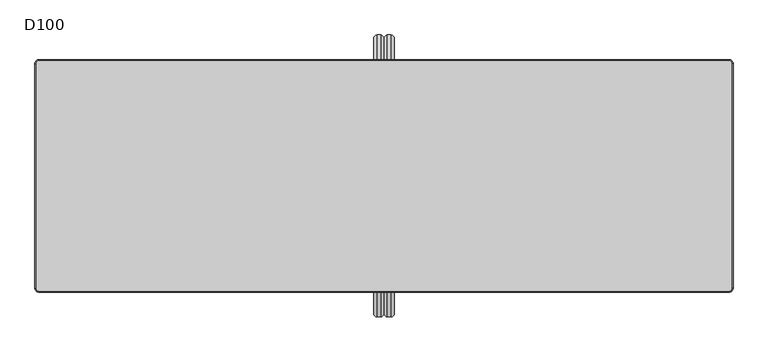
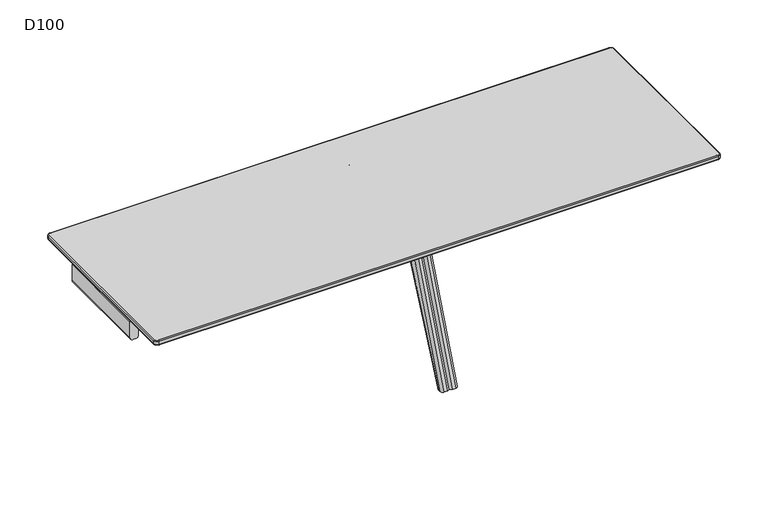
"""IFC4 building model written with IfcOpenShell, lengths in millimetres: furniture geometry, D100."""

from ifc_helpers import new_model, si_unit, point, frame, frame_2d, origin, place, context, project, spatial, polyline, circle_curve, ellipse_curve, trimmed, segment, composite_curve, outline, extrude, source, transform, mapped, element, save
from ifc_brep_helpers import plane_surface, cylinder_surface, revolved_surface, advanced_brep


def d100_66ac4ca6(model_context):
    return source(origin(), model_context, "Body", "SolidModel", [
        extrude(outline(composite_curve([segment(polyline([(611.0, 1499.0), (700.0, 1499.0), (700.0, 1454.0), (611.0, 1454.0)]), True, "CONTINUOUS"), segment(trimmed(circle_curve(frame_2d((611.0, 1469.0)), 15.0), [point((611.0, 1454.0))], [point((596.0, 1469.0))], False, "CARTESIAN"), True, "CONTINUOUS"), segment(polyline([(596.0, 1469.0), (596.0, 1484.0)]), True, "CONTINUOUS"), segment(trimmed(circle_curve(frame_2d((611.0, 1484.0)), 15.0), [point((596.0, 1484.0))], [point((611.0, 1499.0))], False, "CARTESIAN"), True, "CONTINUOUS")], self_intersect=False)), frame((0.0, -264.7236545, 0.0), z_axis=(0.0, 1.0, 0.0), x_axis=(0.0, 0.0, 1.0)), (0.0, 0.0, 1.0), 529.4473089),
        extrude(outline(composite_curve([segment(polyline([(611.0, 0.0), (700.0, 0.0), (700.0, -45.0), (611.0, -45.0)]), True, "CONTINUOUS"), segment(trimmed(circle_curve(frame_2d((611.0, -30.0)), 15.0), [point((611.0, -45.0))], [point((596.0, -30.0))], False, "CARTESIAN"), True, "CONTINUOUS"), segment(polyline([(596.0, -30.0), (596.0, -15.0)]), True, "CONTINUOUS"), segment(trimmed(circle_curve(frame_2d((611.0, -15.0)), 15.0), [point((596.0, -15.0))], [point((611.0, 0.0))], False, "CARTESIAN"), True, "CONTINUOUS")], self_intersect=False)), frame((0.0, -264.7236545, 0.0), z_axis=(0.0, 1.0, 0.0), x_axis=(0.0, 0.0, 1.0)), (0.0, 0.0, 1.0), 529.4473089),
        extrude(outline(composite_curve([segment(trimmed(circle_curve(frame_2d((611.0, 15.0)), 15.0), [point((611.0, 0.0))], [point((596.0, 15.0))], False, "CARTESIAN"), True, "CONTINUOUS"), segment(polyline([(596.0, 15.0), (596.0, 30.0)]), True, "CONTINUOUS"), segment(trimmed(circle_curve(frame_2d((611.0, 30.0)), 15.0), [point((596.0, 30.0))], [point((611.0, 45.0))], False, "CARTESIAN"), True, "CONTINUOUS"), segment(polyline([(611.0, 45.0), (700.0, 45.0), (700.0, 0.0), (611.0, 0.0)]), True, "CONTINUOUS")], self_intersect=False)), frame((0.0, -264.7236545, 0.0), z_axis=(0.0, 1.0, 0.0), x_axis=(0.0, 0.0, 1.0)), (0.0, 0.0, 1.0), 529.4473089),
        extrude(outline(composite_curve([segment(trimmed(circle_curve(frame_2d((611.0, -1484.0)), 15.0), [point((611.0, -1499.0))], [point((596.0, -1484.0))], False, "CARTESIAN"), True, "CONTINUOUS"), segment(polyline([(596.0, -1484.0), (596.0, -1469.0)]), True, "CONTINUOUS"), segment(trimmed(circle_curve(frame_2d((611.0, -1469.0)), 15.0), [point((596.0, -1469.0))], [point((611.0, -1454.0))], False, "CARTESIAN"), True, "CONTINUOUS"), segment(polyline([(611.0, -1454.0), (700.0, -1454.0), (700.0, -1499.0), (611.0, -1499.0)]), True, "CONTINUOUS")], self_intersect=False)), frame((0.0, -264.7236545, 0.0), z_axis=(0.0, 1.0, 0.0), x_axis=(0.0, 0.0, 1.0)), (0.0, 0.0, 1.0), 529.4473089),
        advanced_brep(
        [(-1482.0, 495.0, 732.0), (-1495.0, 482.0, 732.0), (-1495.0, -482.0, 732.0), (-1482.0, -495.0, 732.0), (1482.0, -495.0, 732.0), (1495.0, -482.0, 732.0), (1495.0, 482.0, 732.0), (1482.0, 495.0, 732.0), (-1495.0, 482.0, 706.0), (-1482.0, 495.0, 706.0), (1482.0, 495.0, 706.0), (1495.0, 482.0, 706.0), (1495.0, -482.0, 706.0), (1482.0, -495.0, 706.0), (-1482.0, -495.0, 706.0), (-1495.0, -482.0, 706.0), (-1500.0, 482.0, 727.0000047), (-1500.0, 482.0, 711.0), (-1500.0, -482.0, 711.0), (-1500.0, -482.0, 727.0), (-1482.0, -500.0, 711.0), (-1482.0, -500.0, 727.0000032), (1482.0, -500.0, 711.0), (1482.0, -500.0, 727.0), (1500.0, -482.0, 711.0), (1500.0, -482.0, 727.0000023), (1500.0, 482.0, 711.0), (1500.0, 482.0, 727.0), (-1482.0, 500.0, 711.0), (-1482.0, 500.0, 727.0), (1482.0, 500.0, 711.0), (1482.0, 500.0, 727.0)],
        [
            (0, 1, circle_curve(frame((-1482.0, 482.0, 732.0), z_axis=(0.0, 0.0, 1.0), x_axis=(0.0, 1.0, 0.0)), 13.0)),
            (1, 2),
            (2, 3, circle_curve(frame((-1482.0, -482.0, 732.0), z_axis=(0.0, 0.0, 1.0), x_axis=(-1.0, 0.0, 0.0)), 13.0)),
            (3, 4),
            (4, 5, circle_curve(frame((1482.0, -482.0, 732.0), z_axis=(0.0, 0.0, 1.0), x_axis=(0.0, -1.0, 0.0)), 13.0)),
            (5, 6),
            (6, 7, circle_curve(frame((1482.0, 482.0, 732.0), z_axis=(0.0, 0.0, 1.0), x_axis=(1.0, 0.0, 0.0)), 13.0)),
            (7, 0),
            (8, 9, circle_curve(frame((-1482.0, 482.0, 706.0), z_axis=(0.0, 0.0, -1.0), x_axis=(0.0, 1.0, 0.0)), 13.0)),
            (9, 10),
            (10, 11, circle_curve(frame((1482.0, 482.0, 706.0), z_axis=(0.0, 0.0, -1.0), x_axis=(1.0, 0.0, 0.0)), 13.0)),
            (11, 12),
            (12, 13, circle_curve(frame((1482.0, -482.0, 706.0), z_axis=(0.0, 0.0, -1.0), x_axis=(0.0, -1.0, 0.0)), 13.0)),
            (13, 14),
            (14, 15, circle_curve(frame((-1482.0, -482.0, 706.0), z_axis=(0.0, 0.0, -1.0), x_axis=(-1.0, 0.0, 0.0)), 13.0)),
            (15, 8),
            (16, 17),
            (17, 18),
            (18, 19),
            (19, 16),
            (18, 20, circle_curve(frame((-1482.0, -482.0, 711.0), z_axis=(0.0, 0.0, 1.0), x_axis=(1.0, 0.0, 0.0)), 18.0)),
            (20, 21),
            (21, 19, circle_curve(frame((-1482.0, -482.0, 727.0), z_axis=(0.0, 0.0, -1.0), x_axis=(1.0, 0.0, 0.0)), 18.0)),
            (20, 22),
            (22, 23),
            (23, 21),
            (22, 24, circle_curve(frame((1482.0, -482.0, 711.0), z_axis=(0.0, 0.0, 1.0), x_axis=(1.0, 0.0, 0.0)), 18.0)),
            (24, 25),
            (25, 23, circle_curve(frame((1482.0, -482.0, 727.0), z_axis=(0.0, 0.0, -1.0), x_axis=(1.0, 0.0, 0.0)), 18.0)),
            (24, 26),
            (26, 27),
            (27, 25),
            (8, 17, circle_curve(frame((-1495.0, 482.0, 711.0), z_axis=(0.0, 1.0, 0.0), x_axis=(1.0, 0.0, 0.0)), 5.0)),
            (17, 28, circle_curve(frame((-1482.0, 482.0, 711.0), z_axis=(0.0, 0.0, -1.0), x_axis=(0.0, 1.0, 0.0)), 18.0)),
            (28, 9, circle_curve(frame((-1482.0, 495.0, 711.0), z_axis=(-1.0, 0.0, 0.0), x_axis=(0.0, -1.0, 0.0)), 5.0)),
            (16, 1, circle_curve(frame((-1495.0, 482.0, 727.0), z_axis=(0.0, 1.0, 0.0), x_axis=(1.0, 0.0, 0.0)), 5.0)),
            (0, 29, circle_curve(frame((-1482.0, 495.0, 727.0), z_axis=(-1.0, 0.0, 0.0), x_axis=(0.0, -1.0, 0.0)), 5.0)),
            (29, 16, circle_curve(frame((-1482.0, 482.0, 727.0), z_axis=(0.0, 0.0, 1.0), x_axis=(0.0, 1.0, 0.0)), 18.0)),
            (15, 18, circle_curve(frame((-1495.0, -482.0, 711.0), z_axis=(0.0, 1.0, 0.0), x_axis=(1.0, 0.0, 0.0)), 5.0)),
            (19, 2, circle_curve(frame((-1495.0, -482.0, 727.0), z_axis=(0.0, 1.0, 0.0), x_axis=(1.0, 0.0, 0.0)), 5.0)),
            (14, 20, circle_curve(frame((-1482.0, -495.0, 711.0), z_axis=(-1.0, 0.0, 0.0), x_axis=(0.0, 1.0, 0.0)), 5.0)),
            (21, 3, circle_curve(frame((-1482.0, -495.0, 727.0), z_axis=(-1.0, 0.0, 0.0), x_axis=(0.0, 1.0, 0.0)), 5.0)),
            (13, 22, circle_curve(frame((1482.0, -495.0, 711.0), z_axis=(-1.0, 0.0, 0.0), x_axis=(0.0, 1.0, 0.0)), 5.0)),
            (23, 4, circle_curve(frame((1482.0, -495.0, 727.0), z_axis=(-1.0, 0.0, 0.0), x_axis=(0.0, 1.0, 0.0)), 5.0)),
            (12, 24, circle_curve(frame((1495.0, -482.0, 711.0), z_axis=(0.0, -1.0, 0.0), x_axis=(-1.0, 0.0, 0.0)), 5.0)),
            (25, 5, circle_curve(frame((1495.0, -482.0, 727.0), z_axis=(0.0, -1.0, 0.0), x_axis=(-1.0, 0.0, 0.0)), 5.0)),
            (11, 26, circle_curve(frame((1495.0, 482.0, 711.0), z_axis=(0.0, -1.0, 0.0), x_axis=(-1.0, 0.0, 0.0)), 5.0)),
            (27, 6, circle_curve(frame((1495.0, 482.0, 727.0), z_axis=(0.0, -1.0, 0.0), x_axis=(-1.0, 0.0, 0.0)), 5.0)),
            (10, 30, circle_curve(frame((1482.0, 495.0, 711.0), z_axis=(1.0, 0.0, 0.0), x_axis=(0.0, -1.0, 0.0)), 5.0)),
            (30, 26, circle_curve(frame((1482.0, 482.0, 711.0), z_axis=(0.0, 0.0, -1.0), x_axis=(1.0, 0.0, 0.0)), 18.0)),
            (27, 31, circle_curve(frame((1482.0, 482.0, 727.0), z_axis=(0.0, 0.0, 1.0), x_axis=(1.0, 0.0, 0.0)), 18.0)),
            (31, 7, circle_curve(frame((1482.0, 495.0, 727.0), z_axis=(1.0, 0.0, 0.0), x_axis=(0.0, -1.0, 0.0)), 5.0)),
            (28, 30),
            (31, 29),
            (30, 31),
            (28, 29),
        ],
        [
            plane_surface(frame((-1500.0, -482.0, 732.0), z_axis=(0.0, 0.0, 1.0), x_axis=(0.0, -1.0, 0.0))),
            plane_surface(frame((-1500.0, -482.0, 706.0), z_axis=(0.0, 0.0, -1.0), x_axis=(0.0, 1.0, 0.0))),
            plane_surface(frame((-1500.0, 482.0, 732.0), z_axis=(-1.0, 0.0, 0.0), x_axis=(0.0, 0.0, -1.0))),
            cylinder_surface(frame((-1482.0, -482.0, 706.0), z_axis=(0.0, 0.0, 1.0), x_axis=(1.0, 0.0, 0.0)), 18.0),
            plane_surface(frame((-1482.0, -500.0, 732.0), z_axis=(0.0, -1.0, 0.0), x_axis=(0.0, 0.0, -1.0))),
            cylinder_surface(frame((1482.0, -482.0, 706.0), z_axis=(0.0, 0.0, 1.0), x_axis=(1.0, 0.0, 0.0)), 18.0),
            plane_surface(frame((1500.0, -482.0, 732.0), z_axis=(1.0, 0.0, 0.0), x_axis=(0.0, 0.0, -1.0))),
            revolved_surface(trimmed(ellipse_curve(frame((-1482.0, 495.0, 711.0), z_axis=(1.0, 0.0, 0.0), x_axis=(0.0, -1.0, 0.0)), 5.0, 5.0), [point((-1482.0, 495.0, 706.0))], [point((-1482.0, 500.0, 711.0))], True, "CARTESIAN"), (-1482.0, 482.0, -180.0), (0.0, 0.0, 1.0)),
            revolved_surface(trimmed(ellipse_curve(frame((-1482.0, 495.0, 727.0), z_axis=(1.0, 0.0, 0.0), x_axis=(0.0, -1.0, 0.0)), 5.0, 5.0), [point((-1482.0, 500.0, 727.0))], [point((-1482.0, 495.0, 732.0))], True, "CARTESIAN"), (-1482.0, 482.0, -180.0), (0.0, 0.0, 1.0)),
            cylinder_surface(frame((-1495.0, 482.0, 711.0), z_axis=(0.0, -1.0, 0.0), x_axis=(1.0, 0.0, 0.0)), 5.0),
            cylinder_surface(frame((-1495.0, 482.0, 727.0), z_axis=(0.0, -1.0, 0.0), x_axis=(1.0, 0.0, 0.0)), 5.0),
            revolved_surface(trimmed(ellipse_curve(frame((-1495.0, -482.0, 711.0), z_axis=(0.0, 1.0, 0.0), x_axis=(1.0, 0.0, 0.0)), 5.0, 5.0), [point((-1495.0, -482.0, 706.0))], [point((-1500.0, -482.0, 711.0))], True, "CARTESIAN"), (-1482.0, -482.0, -180.0), (0.0, 0.0, 1.0)),
            revolved_surface(trimmed(ellipse_curve(frame((-1495.0, -482.0, 727.0), z_axis=(0.0, 1.0, 0.0), x_axis=(1.0, 0.0, 0.0)), 5.0, 5.0), [point((-1500.0, -482.0, 727.0))], [point((-1495.0, -482.0, 732.0))], True, "CARTESIAN"), (-1482.0, -482.0, -180.0), (0.0, 0.0, 1.0)),
            cylinder_surface(frame((-1482.0, -495.0, 711.0), z_axis=(1.0, 0.0, 0.0), x_axis=(0.0, 1.0, 0.0)), 5.0),
            cylinder_surface(frame((-1482.0, -495.0, 727.0), z_axis=(1.0, 0.0, 0.0), x_axis=(0.0, 1.0, 0.0)), 5.0),
            revolved_surface(trimmed(ellipse_curve(frame((1482.0, -495.0, 711.0), z_axis=(-1.0, 0.0, 0.0), x_axis=(0.0, 1.0, 0.0)), 5.0, 5.0), [point((1482.0, -495.0, 706.0))], [point((1482.0, -500.0, 711.0))], True, "CARTESIAN"), (1482.0, -482.0, -180.0), (0.0, 0.0, 1.0)),
            revolved_surface(trimmed(ellipse_curve(frame((1482.0, -495.0, 727.0), z_axis=(-1.0, 0.0, 0.0), x_axis=(0.0, 1.0, 0.0)), 5.0, 5.0), [point((1482.0, -500.0, 727.0))], [point((1482.0, -495.0, 732.0))], True, "CARTESIAN"), (1482.0, -482.0, -180.0), (0.0, 0.0, 1.0)),
            cylinder_surface(frame((1495.0, -482.0, 711.0), z_axis=(0.0, 1.0, 0.0), x_axis=(-1.0, 0.0, 0.0)), 5.0),
            cylinder_surface(frame((1495.0, -482.0, 727.0), z_axis=(0.0, 1.0, 0.0), x_axis=(-1.0, 0.0, 0.0)), 5.0),
            revolved_surface(trimmed(ellipse_curve(frame((1495.0, 482.0, 711.0), z_axis=(0.0, -1.0, 0.0), x_axis=(-1.0, 0.0, 0.0)), 5.0, 5.0), [point((1495.0, 482.0, 706.0))], [point((1500.0, 482.0, 711.0))], True, "CARTESIAN"), (1482.0, 482.0, -180.0), (0.0, 0.0, 1.0)),
            revolved_surface(trimmed(ellipse_curve(frame((1495.0, 482.0, 727.0), z_axis=(0.0, -1.0, 0.0), x_axis=(-1.0, 0.0, 0.0)), 5.0, 5.0), [point((1500.0, 482.0, 727.0))], [point((1495.0, 482.0, 732.0))], True, "CARTESIAN"), (1482.0, 482.0, -180.0), (0.0, 0.0, 1.0)),
            cylinder_surface(frame((1482.0, 495.0, 711.0), z_axis=(-1.0, 0.0, 0.0), x_axis=(0.0, -1.0, 0.0)), 5.0),
            cylinder_surface(frame((1482.0, 495.0, 727.0), z_axis=(-1.0, 0.0, 0.0), x_axis=(0.0, -1.0, 0.0)), 5.0),
            cylinder_surface(frame((1482.0, 482.0, 706.0), z_axis=(0.0, 0.0, 1.0), x_axis=(1.0, 0.0, 0.0)), 18.0),
            plane_surface(frame((1482.0, 500.0, 732.0), z_axis=(0.0, 1.0, 0.0), x_axis=(0.0, 0.0, -1.0))),
            cylinder_surface(frame((-1482.0, 482.0, 706.0), z_axis=(0.0, 0.0, 1.0), x_axis=(1.0, 0.0, 0.0)), 18.0),
        ],
        [
            (0, [[1, 2, 3, 4, 5, 6, 7, 8]]),
            (1, [[9, 10, 11, 12, 13, 14, 15, 16]]),
            (2, [[17, 18, 19, 20]]),
            (3, [[-19, 21, 22, 23]]),
            (4, [[-22, 24, 25, 26]]),
            (5, [[-25, 27, 28, 29]]),
            (6, [[-28, 30, 31, 32]]),
            (7, [[33, 34, 35, -9]]),
            (8, [[36, -1, 37, 38]]),
            (9, [[-33, -16, 39, -18]]),
            (10, [[-36, -20, 40, -2]]),
            (11, [[-39, -15, 41, -21]]),
            (12, [[-40, -23, 42, -3]]),
            (13, [[-41, -14, 43, -24]]),
            (14, [[-42, -26, 44, -4]]),
            (15, [[-43, -13, 45, -27]]),
            (16, [[-44, -29, 46, -5]]),
            (17, [[-45, -12, 47, -30]]),
            (18, [[-46, -32, 48, -6]]),
            (19, [[-47, -11, 49, 50]]),
            (20, [[-48, 51, 52, -7]]),
            (21, [[-35, 53, -49, -10]]),
            (22, [[-37, -8, -52, 54]]),
            (23, [[-31, -50, 55, -51]]),
            (24, [[-55, -53, 56, -54]]),
            (25, [[-17, -38, -56, -34]]),
        ],
    ),
        advanced_brep(
        [(0.0, 272.7758244, 611.0), (15.0, 272.7758244, 596.0), (15.0, 270.7236545, 596.0), (0.0, 270.7236545, 611.0), (30.0, 272.7758244, 596.0), (45.0, 272.7758244, 611.0), (45.0, 270.7236545, 611.0), (30.0, 270.7236545, 596.0), (15.0, 305.6533176, 574.6985653), (0.0, 319.3435487, 580.82862), (0.0, 579.4203292, 0.0), (15.0, 562.9852524, 0.0), (45.0, 319.3435487, 580.82862), (30.0, 305.6533176, 574.6985653), (30.0, 562.9852524, 0.0), (45.0, 579.4203292, 0.0), (45.0, 270.7236545, 700.0), (45.0, 589.8218305, 0.0), (45.0, 316.6217076, 700.0), (0.0, 270.7236545, 700.0), (0.0, 316.6217076, 700.0), (0.0, 589.8218305, 0.0), (30.0, 332.7236545, 700.0), (15.0, 332.7236545, 700.0), (30.0, 605.9237773, 0.0), (15.0, 605.9237773, 0.0)],
        [
            (0, 1, circle_curve(frame((15.0, 272.7758244, 611.0), z_axis=(0.0, -1.0, 0.0), x_axis=(0.0, 0.0, 1.0)), 15.0)),
            (1, 2),
            (2, 3, circle_curve(frame((15.0, 270.7236545, 611.0), z_axis=(0.0, 1.0, 0.0), x_axis=(0.0, 0.0, 1.0)), 15.0)),
            (3, 0),
            (4, 5, circle_curve(frame((30.0, 272.7758244, 611.0), z_axis=(0.0, -1.0, 0.0), x_axis=(0.0, 0.0, 1.0)), 15.0)),
            (5, 6),
            (6, 7, circle_curve(frame((30.0, 270.7236545, 611.0), z_axis=(0.0, 1.0, 0.0), x_axis=(0.0, 0.0, 1.0)), 15.0)),
            (7, 4),
            (8, 9, circle_curve(frame((15.0, 319.3435487, 580.82862), z_axis=(0.0, 0.4086703164969099, -0.9126820763082375), x_axis=(0.0, 0.9126820763082375, 0.4086703164969099)), 15.0)),
            (9, 10),
            (10, 11, ellipse_curve(frame((15.0, 579.4203292, 0.0), z_axis=(0.0, 0.0, 1.0), x_axis=(0.0, 1.0, 0.0)), 16.4350768, 15.0)),
            (11, 8),
            (12, 13, circle_curve(frame((30.0, 319.3435487, 580.82862), z_axis=(0.0, 0.4086703164969099, -0.9126820763082375), x_axis=(0.0, 0.9126820763082375, 0.4086703164969099)), 15.0)),
            (13, 14),
            (14, 15, ellipse_curve(frame((30.0, 579.4203292, 0.0), z_axis=(0.0, 0.0, 1.0), x_axis=(0.0, 1.0, 0.0)), 16.4350768, 15.0)),
            (15, 12),
            (0, 9, circle_curve(frame((0.0, 272.7758244, 559.9770583), z_axis=(-1.0, 0.0, 0.0), x_axis=(0.0, 0.0, 1.0)), 51.0229417)),
            (8, 1, circle_curve(frame((15.0, 272.7758244, 559.9770583), z_axis=(1.0, 0.0, 0.0), x_axis=(0.0, 0.0, 1.0)), 36.0229417)),
            (4, 13, circle_curve(frame((30.0, 272.7758244, 559.9770583), z_axis=(-1.0, 0.0, 0.0), x_axis=(0.0, 0.0, 1.0)), 36.0229417)),
            (12, 5, circle_curve(frame((45.0, 272.7758244, 559.9770583), z_axis=(1.0, 0.0, 0.0), x_axis=(0.0, 0.0, 1.0)), 51.0229417)),
            (16, 6),
            (15, 17),
            (17, 18),
            (18, 16),
            (3, 19),
            (19, 20),
            (20, 21),
            (21, 10),
            (19, 16),
            (18, 22, ellipse_curve(frame((30.0, 316.6217076, 700.0), z_axis=(0.0, 0.0, 1.0), x_axis=(0.0, -1.0, 0.0)), 16.1019468, 15.0)),
            (22, 23),
            (23, 20, ellipse_curve(frame((15.0, 316.6217076, 700.0), z_axis=(0.0, 0.0, 1.0), x_axis=(0.0, -1.0, 0.0)), 16.1019468, 15.0)),
            (22, 24),
            (24, 25),
            (25, 23),
            (14, 11),
            (21, 25, ellipse_curve(frame((15.0, 589.8218305, 0.0), z_axis=(0.0, 0.0, -1.0), x_axis=(0.0, -0.9999999999999999, 0.0)), 16.1019468, 15.0)),
            (24, 17, ellipse_curve(frame((30.0, 589.8218305, 0.0), z_axis=(0.0, 0.0, -1.0), x_axis=(0.0, -0.9999999999999999, 0.0)), 16.1019468, 15.0)),
            (13, 8),
            (4, 1),
            (7, 2),
        ],
        [
            cylinder_surface(frame((15.0, -272.7758244, 611.0), z_axis=(0.0, 1.0, 0.0), x_axis=(0.0, 0.0, 1.0)), 15.0),
            cylinder_surface(frame((30.0, -272.7758244, 611.0), z_axis=(0.0, 1.0, 0.0), x_axis=(0.0, 0.0, 1.0)), 15.0),
            cylinder_surface(frame((15.0, 319.3435487, 580.82862), z_axis=(0.0, 0.4086703164969099, -0.9126820763082375), x_axis=(0.0, 0.9126820763082375, 0.4086703164969099)), 15.0),
            cylinder_surface(frame((30.0, 319.3435487, 580.82862), z_axis=(0.0, 0.4086703164969099, -0.9126820763082375), x_axis=(0.0, 0.9126820763082375, 0.4086703164969099)), 15.0),
            revolved_surface(trimmed(ellipse_curve(frame((15.0, 272.7758244, 611.0), z_axis=(0.0, -1.0, 0.0), x_axis=(0.0, 0.0, 1.0)), 15.0, 15.0), [point((0.0, 272.7758244, 611.0))], [point((15.0, 272.7758244, 596.0))], True, "CARTESIAN"), (782.0, 272.7758244, 559.9770583), (-1.0, 0.0, 0.0)),
            revolved_surface(trimmed(ellipse_curve(frame((30.0, 272.7758244, 611.0), z_axis=(0.0, -1.0, 0.0), x_axis=(0.0, 0.0, 1.0)), 15.0, 15.0), [point((30.0, 272.7758244, 596.0))], [point((45.0, 272.7758244, 611.0))], True, "CARTESIAN"), (782.0, 272.7758244, 559.9770583), (-1.0, 0.0, 0.0)),
            plane_surface(frame((45.0, 270.7236545, 596.0), z_axis=(1.0, 0.0, 0.0), x_axis=(0.0, 0.0, -1.0))),
            plane_surface(frame((0.0, 270.7236545, 596.0), z_axis=(-1.0, 0.0, 0.0), x_axis=(0.0, 0.0, 1.0))),
            plane_surface(frame((45.0, 332.7236545, 700.0), z_axis=(0.0, 0.0, 1.0), x_axis=(-1.0, 0.0, 0.0))),
            plane_surface(frame((45.0, 605.9237773, 0.0), z_axis=(0.0, 0.9315643722265751, 0.3635764299265108), x_axis=(-1.0, 0.0, 0.0))),
            plane_surface(frame((45.0, 562.9852524, 0.0), z_axis=(0.0, 0.0, -1.0), x_axis=(-1.0, 0.0, 0.0))),
            plane_surface(frame((45.0, 305.6533176, 574.6985653), z_axis=(0.0, -0.9126820763082374, -0.40867031649691016), x_axis=(-1.0, 0.0, 0.0))),
            revolved_surface(polyline([(15.0, 236.7528827, 559.9770583), (30.0, 236.7528827, 559.9770583)]), (0.0, 272.7758244, 559.9770583), (-1.0, 0.0, 0.0)),
            plane_surface(frame((45.0, 270.7236545, 596.0), z_axis=(0.0, 0.0, -1.0), x_axis=(-1.0, 0.0, 0.0))),
            plane_surface(frame((45.0, 270.7236545, 700.0), z_axis=(0.0, -1.0, 0.0), x_axis=(-1.0, 0.0, 0.0))),
            cylinder_surface(frame((15.0, 599.6644228, -25.2189296), z_axis=(0.0, -0.3635764299265101, 0.9315643722265754), x_axis=(0.0, -0.9315643722265754, -0.3635764299265101)), 15.0),
            cylinder_surface(frame((30.0, 599.6644228, -25.2189296), z_axis=(0.0, -0.3635764299265101, 0.9315643722265754), x_axis=(0.0, -0.9315643722265754, -0.3635764299265101)), 15.0),
        ],
        [
            (0, [[1, 2, 3, 4]]),
            (1, [[5, 6, 7, 8]]),
            (2, [[9, 10, 11, 12]]),
            (3, [[13, 14, 15, 16]]),
            (4, [[-1, 17, -9, 18]]),
            (5, [[-5, 19, -13, 20]]),
            (6, [[21, -6, -20, -16, 22, 23, 24]]),
            (7, [[25, 26, 27, 28, -10, -17, -4]]),
            (8, [[29, -24, 30, 31, 32, -26]]),
            (9, [[-31, 33, 34, 35]]),
            (10, [[36, -11, -28, 37, -34, 38, -22, -15]]),
            (11, [[-36, -14, 39, -12]]),
            (12, [[-39, -19, 40, -18]]),
            (13, [[-40, -8, 41, -2]]),
            (14, [[-29, -25, -3, -41, -7, -21]]),
            (15, [[-27, -32, -35, -37]]),
            (16, [[-23, -38, -33, -30]]),
        ],
    ),
        advanced_brep(
        [(45.0, -270.7236545, 700.0), (45.0, -316.6217076, 700.0), (45.0, -589.8218305, 0.0), (45.0, -579.4203292, 0.0), (45.0, -319.3435487, 580.82862), (45.0, -272.7758244, 611.0), (45.0, -270.7236545, 611.0), (0.0, -316.6217076, 700.0), (0.0, -270.7236545, 700.0), (0.0, -270.7236545, 611.0), (0.0, -272.7758244, 611.0), (0.0, -319.3435487, 580.82862), (0.0, -579.4203292, 0.0), (0.0, -589.8218305, 0.0), (15.0, -332.7236545, 700.0), (30.0, -332.7236545, 700.0), (15.0, -605.9237773, 0.0), (30.0, -605.9237773, 0.0), (15.0, -562.9852524, 0.0), (30.0, -562.9852524, 0.0), (15.0, -305.6533176, 574.6985653), (30.0, -305.6533176, 574.6985653), (15.0, -272.7758244, 596.0), (30.0, -272.7758244, 596.0), (15.0, -270.7236545, 596.0), (30.0, -270.7236545, 596.0)],
        [
            (0, 1),
            (1, 2),
            (2, 3),
            (3, 4),
            (4, 5, circle_curve(frame((45.0, -272.7758244, 559.9770583), z_axis=(-1.0, 0.0, 0.0), x_axis=(0.0, -0.9126820763082378, 0.4086703164969091)), 51.0229417)),
            (5, 6),
            (6, 0),
            (7, 8),
            (8, 9),
            (9, 10),
            (10, 11, circle_curve(frame((0.0, -272.7758244, 559.9770583), z_axis=(1.0, 0.0, 0.0), x_axis=(0.0, -0.9126820763082378, 0.4086703164969091)), 51.0229417)),
            (11, 12),
            (12, 13),
            (13, 7),
            (0, 8),
            (7, 14, ellipse_curve(frame((15.0, -316.6217076, 700.0), z_axis=(0.0, 0.0, 1.0), x_axis=(0.0, 1.0, 0.0)), 16.1019468, 15.0)),
            (14, 15),
            (15, 1, ellipse_curve(frame((30.0, -316.6217076, 700.0), z_axis=(0.0, 0.0, 1.0), x_axis=(0.0, 1.0, 0.0)), 16.1019468, 15.0)),
            (14, 16),
            (16, 17),
            (17, 15),
            (16, 13, ellipse_curve(frame((15.0, -589.8218305, 0.0), z_axis=(0.0, 0.0, -1.0), x_axis=(0.0, 0.9999999999999999, 0.0)), 16.1019468, 15.0)),
            (12, 18, ellipse_curve(frame((15.0, -579.4203292, 0.0), z_axis=(0.0, 0.0, -1.0), x_axis=(0.0, 1.0, 0.0)), 16.4350768, 15.0)),
            (18, 19),
            (19, 3, ellipse_curve(frame((30.0, -579.4203292, 0.0), z_axis=(0.0, 0.0, -1.0), x_axis=(0.0, 1.0, 0.0)), 16.4350768, 15.0)),
            (2, 17, ellipse_curve(frame((30.0, -589.8218305, 0.0), z_axis=(0.0, 0.0, -1.0), x_axis=(0.0, 0.9999999999999999, 0.0)), 16.1019468, 15.0)),
            (18, 20),
            (20, 21),
            (21, 19),
            (20, 22, circle_curve(frame((15.0, -272.7758244, 559.9770583), z_axis=(-1.0, 0.0, 0.0), x_axis=(0.0, 1.0, 0.0)), 36.0229417)),
            (22, 23),
            (23, 21, circle_curve(frame((30.0, -272.7758244, 559.9770583), z_axis=(1.0, 0.0, 0.0), x_axis=(0.0, 1.0, 0.0)), 36.0229417)),
            (22, 24),
            (24, 25),
            (25, 23),
            (6, 25, circle_curve(frame((30.0, -270.7236545, 611.0), z_axis=(0.0, 1.0, 0.0), x_axis=(0.0, 0.0, 1.0)), 15.0)),
            (24, 9, circle_curve(frame((15.0, -270.7236545, 611.0), z_axis=(0.0, 1.0, 0.0), x_axis=(0.0, 0.0, 1.0)), 15.0)),
            (11, 20, circle_curve(frame((15.0, -319.3435487, 580.82862), z_axis=(0.0, -0.40867031649690977, -0.9126820763082376), x_axis=(0.0, -0.9126820763082376, 0.40867031649690977)), 15.0)),
            (21, 4, circle_curve(frame((30.0, -319.3435487, 580.82862), z_axis=(0.0, -0.40867031649690977, -0.9126820763082376), x_axis=(0.0, -0.9126820763082376, 0.40867031649690977)), 15.0)),
            (22, 10, circle_curve(frame((15.0, -272.7758244, 611.0), z_axis=(0.0, 1.0, 0.0), x_axis=(0.0, 0.0, 1.0)), 15.0)),
            (5, 23, circle_curve(frame((30.0, -272.7758244, 611.0), z_axis=(0.0, 1.0, 0.0), x_axis=(0.0, 0.0, 1.0)), 15.0)),
        ],
        [
            plane_surface(frame((45.0, -291.5455549, 700.0), z_axis=(1.0, 0.0, 0.0), x_axis=(0.0, -1.0, 0.0))),
            plane_surface(frame((0.0, -291.5455549, 700.0), z_axis=(-1.0, 0.0, 0.0), x_axis=(0.0, 1.0, 0.0))),
            plane_surface(frame((45.0, -270.7236545, 700.0), z_axis=(0.0, 0.0, 1.0), x_axis=(-1.0, 0.0, 0.0))),
            plane_surface(frame((45.0, -332.7236545, 700.0), z_axis=(0.0, -0.9315643722265751, 0.3635764299265108), x_axis=(-1.0, 0.0, 0.0))),
            plane_surface(frame((45.0, -605.9237773, 0.0), z_axis=(0.0, 0.0, -1.0), x_axis=(-1.0, 0.0, 0.0))),
            plane_surface(frame((45.0, -562.9852524, 0.0), z_axis=(0.0, 0.9126820763082374, -0.40867031649691016), x_axis=(-1.0, 0.0, 0.0))),
            revolved_surface(polyline([(15.0, -236.7528827, 559.9770583), (30.0, -236.7528827, 559.9770583)]), (0.0, -272.7758244, 559.9770583), (-1.0, 0.0, 0.0)),
            plane_surface(frame((45.0, -272.7758244, 596.0), z_axis=(0.0, 0.0, -1.0), x_axis=(-1.0, 0.0, 0.0))),
            plane_surface(frame((45.0, -270.7236545, 596.0), z_axis=(0.0, 1.0, 0.0), x_axis=(-1.0, 0.0, 0.0))),
            cylinder_surface(frame((15.0, -599.6644228, -25.2189296), z_axis=(0.0, 0.3635764299265101, 0.9315643722265754), x_axis=(0.0, -0.9315643722265754, 0.3635764299265101)), 15.0),
            cylinder_surface(frame((30.0, -599.6644228, -25.2189296), z_axis=(0.0, 0.3635764299265101, 0.9315643722265754), x_axis=(0.0, -0.9315643722265754, 0.3635764299265101)), 15.0),
            cylinder_surface(frame((15.0, -584.7803586, -11.9705362), z_axis=(0.0, 0.40867031649690977, 0.9126820763082376), x_axis=(0.0, -0.9126820763082376, 0.40867031649690977)), 15.0),
            cylinder_surface(frame((30.0, -584.7803586, -11.9705362), z_axis=(0.0, 0.40867031649690977, 0.9126820763082376), x_axis=(0.0, -0.9126820763082376, 0.40867031649690977)), 15.0),
            cylinder_surface(frame((15.0, -272.7758244, 611.0), z_axis=(0.0, 1.0, 0.0), x_axis=(0.0, 0.0, 1.0)), 15.0),
            cylinder_surface(frame((30.0, -272.7758244, 611.0), z_axis=(0.0, 1.0, 0.0), x_axis=(0.0, 0.0, 1.0)), 15.0),
            revolved_surface(trimmed(ellipse_curve(frame((15.0, -319.3435487, 580.82862), z_axis=(0.0, -0.4086703164969089, -0.9126820763082379), x_axis=(0.0, -0.9126820763082379, 0.4086703164969089)), 15.0, 15.0), [point((0.0, -319.3435487, 580.82862))], [point((15.0, -305.6533176, 574.6985653))], True, "CARTESIAN"), (782.0, -272.7758244, 559.9770583), (-1.0, 0.0, 0.0)),
            revolved_surface(trimmed(ellipse_curve(frame((30.0, -319.3435487, 580.82862), z_axis=(0.0, -0.4086703164969089, -0.9126820763082379), x_axis=(0.0, -0.9126820763082379, 0.4086703164969089)), 15.0, 15.0), [point((30.0, -305.6533176, 574.6985653))], [point((45.0, -319.3435487, 580.82862))], True, "CARTESIAN"), (782.0, -272.7758244, 559.9770583), (-1.0, 0.0, 0.0)),
        ],
        [
            (0, [[1, 2, 3, 4, 5, 6, 7]]),
            (1, [[8, 9, 10, 11, 12, 13, 14]]),
            (2, [[15, -8, 16, 17, 18, -1]]),
            (3, [[-17, 19, 20, 21]]),
            (4, [[-20, 22, -13, 23, 24, 25, -3, 26]]),
            (5, [[-24, 27, 28, 29]]),
            (6, [[-28, 30, 31, 32]]),
            (7, [[-31, 33, 34, 35]]),
            (8, [[-15, -7, 36, -34, 37, -9]]),
            (9, [[-14, -22, -19, -16]]),
            (10, [[-2, -18, -21, -26]]),
            (11, [[38, -27, -23, -12]]),
            (12, [[39, -4, -25, -29]]),
            (13, [[40, -10, -37, -33]]),
            (14, [[41, -35, -36, -6]]),
            (15, [[-38, -11, -40, -30]]),
            (16, [[-39, -32, -41, -5]]),
        ],
    ),
        advanced_brep(
        [(-15.0, 272.7758244, 596.0), (0.0, 272.7758244, 611.0), (0.0, 270.7236545, 611.0), (-15.0, 270.7236545, 596.0), (-45.0, 272.7758244, 611.0), (-30.0, 272.7758244, 596.0), (-30.0, 270.7236545, 596.0), (-45.0, 270.7236545, 611.0), (0.0, 319.3435487, 580.82862), (-15.0, 305.6533176, 574.6985653), (-15.0, 562.9852524, 0.0), (0.0, 579.4203292, 0.0), (-30.0, 305.6533176, 574.6985653), (-45.0, 319.3435487, 580.82862), (-45.0, 579.4203292, 0.0), (-30.0, 562.9852524, 0.0), (-45.0, 270.7236545, 700.0), (-45.0, 316.6217076, 700.0), (-45.0, 589.8218305, 0.0), (0.0, 270.7236545, 700.0), (0.0, 589.8218305, 0.0), (0.0, 316.6217076, 700.0), (-15.0, 332.7236545, 700.0), (-30.0, 332.7236545, 700.0), (-15.0, 605.9237773, 0.0), (-30.0, 605.9237773, 0.0)],
        [
            (0, 1, circle_curve(frame((-15.0, 272.7758244, 611.0), z_axis=(0.0, -1.0, 0.0), x_axis=(0.0, 0.0, -1.0)), 15.0)),
            (1, 2),
            (2, 3, circle_curve(frame((-15.0, 270.7236545, 611.0), z_axis=(0.0, 1.0, 0.0), x_axis=(0.0, 0.0, -1.0)), 15.0)),
            (3, 0),
            (4, 5, circle_curve(frame((-30.0, 272.7758244, 611.0), z_axis=(0.0, -1.0, 0.0), x_axis=(0.0, 0.0, -1.0)), 15.0)),
            (5, 6),
            (6, 7, circle_curve(frame((-30.0, 270.7236545, 611.0), z_axis=(0.0, 1.0, 0.0), x_axis=(0.0, 0.0, -1.0)), 15.0)),
            (7, 4),
            (8, 9, circle_curve(frame((-15.0, 319.3435487, 580.82862), z_axis=(0.0, 0.4086703164969099, -0.9126820763082375), x_axis=(0.0, -0.9126820763082375, -0.4086703164969099)), 15.0)),
            (9, 10),
            (10, 11, ellipse_curve(frame((-15.0, 579.4203292, 0.0), z_axis=(0.0, 0.0, 1.0), x_axis=(0.0, 1.0, 0.0)), 16.4350768, 15.0)),
            (11, 8),
            (12, 13, circle_curve(frame((-30.0, 319.3435487, 580.82862), z_axis=(0.0, 0.4086703164969099, -0.9126820763082375), x_axis=(0.0, -0.9126820763082375, -0.4086703164969099)), 15.0)),
            (13, 14),
            (14, 15, ellipse_curve(frame((-30.0, 579.4203292, 0.0), z_axis=(0.0, 0.0, 1.0), x_axis=(0.0, 1.0, 0.0)), 16.4350768, 15.0)),
            (15, 12),
            (0, 9, circle_curve(frame((-15.0, 272.7758244, 559.9770583), z_axis=(-1.0, 0.0, 0.0), x_axis=(0.0, 0.0, 1.0)), 36.0229417)),
            (8, 1, circle_curve(frame((0.0, 272.7758244, 559.9770583), z_axis=(1.0, 0.0, 0.0), x_axis=(0.0, 0.0, 1.0)), 51.0229417)),
            (4, 13, circle_curve(frame((-45.0, 272.7758244, 559.9770583), z_axis=(-1.0, 0.0, 0.0), x_axis=(0.0, 0.0, 1.0)), 51.0229417)),
            (12, 5, circle_curve(frame((-30.0, 272.7758244, 559.9770583), z_axis=(1.0, 0.0, 0.0), x_axis=(0.0, 0.0, 1.0)), 36.0229417)),
            (7, 16),
            (16, 17),
            (17, 18),
            (18, 14),
            (19, 2),
            (11, 20),
            (20, 21),
            (21, 19),
            (16, 19),
            (21, 22, ellipse_curve(frame((-15.0, 316.6217076, 700.0), z_axis=(0.0, 0.0, 1.0), x_axis=(0.0, -1.0, 0.0)), 16.1019468, 15.0)),
            (22, 23),
            (23, 17, ellipse_curve(frame((-30.0, 316.6217076, 700.0), z_axis=(0.0, 0.0, 1.0), x_axis=(0.0, -1.0, 0.0)), 16.1019468, 15.0)),
            (22, 24),
            (24, 25),
            (25, 23),
            (10, 15),
            (18, 25, ellipse_curve(frame((-30.0, 589.8218305, 0.0), z_axis=(0.0, 0.0, -1.0), x_axis=(0.0, -0.9999999999999999, 0.0)), 16.1019468, 15.0)),
            (24, 20, ellipse_curve(frame((-15.0, 589.8218305, 0.0), z_axis=(0.0, 0.0, -1.0), x_axis=(0.0, -0.9999999999999999, 0.0)), 16.1019468, 15.0)),
            (9, 12),
            (0, 5),
            (3, 6),
        ],
        [
            cylinder_surface(frame((-15.0, -272.7758244, 611.0), z_axis=(0.0, 1.0, 0.0), x_axis=(0.0, 0.0, -1.0)), 15.0),
            cylinder_surface(frame((-30.0, -272.7758244, 611.0), z_axis=(0.0, 1.0, 0.0), x_axis=(0.0, 0.0, -1.0)), 15.0),
            cylinder_surface(frame((-15.0, 319.3435487, 580.82862), z_axis=(0.0, 0.4086703164969099, -0.9126820763082375), x_axis=(0.0, -0.9126820763082375, -0.4086703164969099)), 15.0),
            cylinder_surface(frame((-30.0, 319.3435487, 580.82862), z_axis=(0.0, 0.4086703164969099, -0.9126820763082375), x_axis=(0.0, -0.9126820763082375, -0.4086703164969099)), 15.0),
            revolved_surface(trimmed(ellipse_curve(frame((-15.0, 272.7758244, 611.0), z_axis=(0.0, -1.0, 0.0), x_axis=(0.0, 0.0, -1.0)), 15.0, 15.0), [point((-15.0, 272.7758244, 596.0))], [point((0.0, 272.7758244, 611.0))], True, "CARTESIAN"), (-782.0, 272.7758244, 559.9770583), (-1.0, 0.0, 0.0)),
            revolved_surface(trimmed(ellipse_curve(frame((-30.0, 272.7758244, 611.0), z_axis=(0.0, -1.0, 0.0), x_axis=(0.0, 0.0, -1.0)), 15.0, 15.0), [point((-45.0, 272.7758244, 611.0))], [point((-30.0, 272.7758244, 596.0))], True, "CARTESIAN"), (-782.0, 272.7758244, 559.9770583), (-1.0, 0.0, 0.0)),
            plane_surface(frame((-45.0, 291.5455549, 700.0), z_axis=(-1.0, 0.0, 0.0), x_axis=(0.0, 1.0, 0.0))),
            plane_surface(frame((0.0, 291.5455549, 700.0), z_axis=(1.0, 0.0, 0.0), x_axis=(0.0, -1.0, 0.0))),
            plane_surface(frame((-45.0, 270.7236545, 700.0), z_axis=(0.0, 0.0, 1.0), x_axis=(1.0, 0.0, 0.0))),
            plane_surface(frame((-45.0, 332.7236545, 700.0), z_axis=(0.0, 0.9315643722265751, 0.3635764299265108), x_axis=(1.0, 0.0, 0.0))),
            plane_surface(frame((-45.0, 605.9237773, 0.0), z_axis=(0.0, 0.0, -1.0), x_axis=(1.0, 0.0, 0.0))),
            plane_surface(frame((-45.0, 562.9852524, 0.0), z_axis=(0.0, -0.9126820763082374, -0.40867031649691016), x_axis=(1.0, 0.0, 0.0))),
            revolved_surface(polyline([(-15.0, 236.7528827, 559.9770583), (-30.0, 236.7528827, 559.9770583)]), (0.0, 272.7758244, 559.9770583), (1.0, 0.0, 0.0)),
            plane_surface(frame((-45.0, 272.7758244, 596.0), z_axis=(0.0, 0.0, -1.0), x_axis=(1.0, 0.0, 0.0))),
            plane_surface(frame((-45.0, 270.7236545, 596.0), z_axis=(0.0, -1.0, 0.0), x_axis=(1.0, 0.0, 0.0))),
            cylinder_surface(frame((-15.0, 599.6644228, -25.2189296), z_axis=(0.0, -0.3635764299265101, 0.9315643722265754), x_axis=(0.0, 0.9315643722265754, 0.3635764299265101)), 15.0),
            cylinder_surface(frame((-30.0, 599.6644228, -25.2189296), z_axis=(0.0, -0.3635764299265101, 0.9315643722265754), x_axis=(0.0, 0.9315643722265754, 0.3635764299265101)), 15.0),
        ],
        [
            (0, [[1, 2, 3, 4]]),
            (1, [[5, 6, 7, 8]]),
            (2, [[9, 10, 11, 12]]),
            (3, [[13, 14, 15, 16]]),
            (4, [[-1, 17, -9, 18]]),
            (5, [[-5, 19, -13, 20]]),
            (6, [[21, 22, 23, 24, -14, -19, -8]]),
            (7, [[25, -2, -18, -12, 26, 27, 28]]),
            (8, [[29, -28, 30, 31, 32, -22]]),
            (9, [[-31, 33, 34, 35]]),
            (10, [[36, -15, -24, 37, -34, 38, -26, -11]]),
            (11, [[-36, -10, 39, -16]]),
            (12, [[-39, -17, 40, -20]]),
            (13, [[-40, -4, 41, -6]]),
            (14, [[-29, -21, -7, -41, -3, -25]]),
            (15, [[-27, -38, -33, -30]]),
            (16, [[-23, -32, -35, -37]]),
        ],
    ),
        advanced_brep(
        [(-45.0, -270.7236545, 700.0), (-45.0, -270.7236545, 611.0), (-45.0, -272.7758244, 611.0), (-45.0, -319.3435487, 580.82862), (-45.0, -579.4203292, 0.0), (-45.0, -589.8218305, 0.0), (-45.0, -316.6217076, 700.0), (0.0, -270.7236545, 611.0), (0.0, -270.7236545, 700.0), (0.0, -316.6217076, 700.0), (0.0, -589.8218305, 0.0), (0.0, -579.4203292, 0.0), (0.0, -319.3435487, 580.82862), (0.0, -272.7758244, 611.0), (-30.0, -332.7236545, 700.0), (-15.0, -332.7236545, 700.0), (-30.0, -605.9237773, 0.0), (-15.0, -605.9237773, 0.0), (-30.0, -562.9852524, 0.0), (-15.0, -562.9852524, 0.0), (-30.0, -305.6533176, 574.6985653), (-15.0, -305.6533176, 574.6985653), (-30.0, -272.7758244, 596.0), (-15.0, -272.7758244, 596.0), (-30.0, -270.7236545, 596.0), (-15.0, -270.7236545, 596.0)],
        [
            (0, 1),
            (1, 2),
            (2, 3, circle_curve(frame((-45.0, -272.7758244, 559.9770583), z_axis=(1.0, 0.0, 0.0), x_axis=(0.0, -0.9126820763082378, 0.4086703164969091)), 51.0229417)),
            (3, 4),
            (4, 5),
            (5, 6),
            (6, 0),
            (7, 8),
            (8, 9),
            (9, 10),
            (10, 11),
            (11, 12),
            (12, 13, circle_curve(frame((0.0, -272.7758244, 559.9770583), z_axis=(-1.0, 0.0, 0.0), x_axis=(0.0, -0.9126820763082378, 0.4086703164969091)), 51.0229417)),
            (13, 7),
            (8, 0),
            (6, 14, ellipse_curve(frame((-30.0, -316.6217076, 700.0), z_axis=(0.0, 0.0, 1.0), x_axis=(0.0, 1.0, 0.0)), 16.1019468, 15.0)),
            (14, 15),
            (15, 9, ellipse_curve(frame((-15.0, -316.6217076, 700.0), z_axis=(0.0, 0.0, 1.0), x_axis=(0.0, 1.0, 0.0)), 16.1019468, 15.0)),
            (14, 16),
            (16, 17),
            (17, 15),
            (18, 19),
            (19, 11, ellipse_curve(frame((-15.0, -579.4203292, 0.0), z_axis=(0.0, 0.0, -1.0), x_axis=(0.0, 1.0, 0.0)), 16.4350768, 15.0)),
            (10, 17, ellipse_curve(frame((-15.0, -589.8218305, 0.0), z_axis=(0.0, 0.0, -1.0), x_axis=(0.0, 0.9999999999999999, 0.0)), 16.1019468, 15.0)),
            (16, 5, ellipse_curve(frame((-30.0, -589.8218305, 0.0), z_axis=(0.0, 0.0, -1.0), x_axis=(0.0, 0.9999999999999999, 0.0)), 16.1019468, 15.0)),
            (4, 18, ellipse_curve(frame((-30.0, -579.4203292, 0.0), z_axis=(0.0, 0.0, -1.0), x_axis=(0.0, 1.0, 0.0)), 16.4350768, 15.0)),
            (18, 20),
            (20, 21),
            (21, 19),
            (20, 22, circle_curve(frame((-30.0, -272.7758244, 559.9770583), z_axis=(-1.0, 0.0, 0.0), x_axis=(0.0, 1.0, 0.0)), 36.0229417)),
            (22, 23),
            (23, 21, circle_curve(frame((-15.0, -272.7758244, 559.9770583), z_axis=(1.0, 0.0, 0.0), x_axis=(0.0, 1.0, 0.0)), 36.0229417)),
            (22, 24),
            (24, 25),
            (25, 23),
            (7, 25, circle_curve(frame((-15.0, -270.7236545, 611.0), z_axis=(0.0, 1.0, 0.0), x_axis=(0.0, 0.0, -1.0)), 15.0)),
            (24, 1, circle_curve(frame((-30.0, -270.7236545, 611.0), z_axis=(0.0, 1.0, 0.0), x_axis=(0.0, 0.0, -1.0)), 15.0)),
            (21, 12, circle_curve(frame((-15.0, -319.3435487, 580.82862), z_axis=(0.0, -0.40867031649690977, -0.9126820763082376), x_axis=(0.0, 0.9126820763082376, -0.40867031649690977)), 15.0)),
            (3, 20, circle_curve(frame((-30.0, -319.3435487, 580.82862), z_axis=(0.0, -0.40867031649690977, -0.9126820763082376), x_axis=(0.0, 0.9126820763082376, -0.40867031649690977)), 15.0)),
            (13, 23, circle_curve(frame((-15.0, -272.7758244, 611.0), z_axis=(0.0, 1.0, 0.0), x_axis=(0.0, 0.0, -1.0)), 15.0)),
            (22, 2, circle_curve(frame((-30.0, -272.7758244, 611.0), z_axis=(0.0, 1.0, 0.0), x_axis=(0.0, 0.0, -1.0)), 15.0)),
        ],
        [
            plane_surface(frame((-45.0, -270.7236545, 596.0), z_axis=(-1.0, 0.0, 0.0), x_axis=(0.0, 0.0, -1.0))),
            plane_surface(frame((0.0, -270.7236545, 596.0), z_axis=(1.0, 0.0, 0.0), x_axis=(0.0, 0.0, 1.0))),
            plane_surface(frame((-45.0, -332.7236545, 700.0), z_axis=(0.0, 0.0, 1.0), x_axis=(1.0, 0.0, 0.0))),
            plane_surface(frame((-45.0, -605.9237773, 0.0), z_axis=(0.0, -0.9315643722265751, 0.3635764299265108), x_axis=(1.0, 0.0, 0.0))),
            plane_surface(frame((-45.0, -562.9852524, 0.0), z_axis=(0.0, 0.0, -1.0), x_axis=(1.0, 0.0, 0.0))),
            plane_surface(frame((-45.0, -305.6533176, 574.6985653), z_axis=(0.0, 0.9126820763082374, -0.40867031649691016), x_axis=(1.0, 0.0, 0.0))),
            revolved_surface(polyline([(-15.0, -236.7528827, 559.9770583), (-30.0, -236.7528827, 559.9770583)]), (0.0, -272.7758244, 559.9770583), (1.0, 0.0, 0.0)),
            plane_surface(frame((-45.0, -270.7236545, 596.0), z_axis=(0.0, 0.0, -1.0), x_axis=(1.0, 0.0, 0.0))),
            plane_surface(frame((-45.0, -270.7236545, 700.0), z_axis=(0.0, 1.0, 0.0), x_axis=(1.0, 0.0, 0.0))),
            cylinder_surface(frame((-15.0, -584.7803586, -11.9705362), z_axis=(0.0, 0.40867031649690977, 0.9126820763082376), x_axis=(0.0, 0.9126820763082376, -0.40867031649690977)), 15.0),
            cylinder_surface(frame((-30.0, -584.7803586, -11.9705362), z_axis=(0.0, 0.40867031649690977, 0.9126820763082376), x_axis=(0.0, 0.9126820763082376, -0.40867031649690977)), 15.0),
            cylinder_surface(frame((-15.0, -272.7758244, 611.0), z_axis=(0.0, 1.0, 0.0), x_axis=(0.0, 0.0, -1.0)), 15.0),
            cylinder_surface(frame((-30.0, -272.7758244, 611.0), z_axis=(0.0, 1.0, 0.0), x_axis=(0.0, 0.0, -1.0)), 15.0),
            revolved_surface(trimmed(ellipse_curve(frame((-15.0, -319.3435487, 580.82862), z_axis=(0.0, -0.4086703164969089, -0.9126820763082379), x_axis=(0.0, 0.9126820763082379, -0.4086703164969089)), 15.0, 15.0), [point((-15.0, -305.6533176, 574.6985653))], [point((0.0, -319.3435487, 580.82862))], True, "CARTESIAN"), (-782.0, -272.7758244, 559.9770583), (-1.0, 0.0, 0.0)),
            revolved_surface(trimmed(ellipse_curve(frame((-30.0, -319.3435487, 580.82862), z_axis=(0.0, -0.4086703164969089, -0.9126820763082379), x_axis=(0.0, 0.9126820763082379, -0.4086703164969089)), 15.0, 15.0), [point((-45.0, -319.3435487, 580.82862))], [point((-30.0, -305.6533176, 574.6985653))], True, "CARTESIAN"), (-782.0, -272.7758244, 559.9770583), (-1.0, 0.0, 0.0)),
            cylinder_surface(frame((-15.0, -599.6644228, -25.2189296), z_axis=(0.0, 0.3635764299265101, 0.9315643722265754), x_axis=(0.0, 0.9315643722265754, -0.3635764299265101)), 15.0),
            cylinder_surface(frame((-30.0, -599.6644228, -25.2189296), z_axis=(0.0, 0.3635764299265101, 0.9315643722265754), x_axis=(0.0, 0.9315643722265754, -0.3635764299265101)), 15.0),
        ],
        [
            (0, [[1, 2, 3, 4, 5, 6, 7]]),
            (1, [[8, 9, 10, 11, 12, 13, 14]]),
            (2, [[15, -7, 16, 17, 18, -9]]),
            (3, [[-17, 19, 20, 21]]),
            (4, [[22, 23, -11, 24, -20, 25, -5, 26]]),
            (5, [[-22, 27, 28, 29]]),
            (6, [[-28, 30, 31, 32]]),
            (7, [[-31, 33, 34, 35]]),
            (8, [[-15, -8, 36, -34, 37, -1]]),
            (9, [[38, -12, -23, -29]]),
            (10, [[39, -27, -26, -4]]),
            (11, [[40, -35, -36, -14]]),
            (12, [[41, -2, -37, -33]]),
            (13, [[-38, -32, -40, -13]]),
            (14, [[-39, -3, -41, -30]]),
            (15, [[-10, -18, -21, -24]]),
            (16, [[-6, -25, -19, -16]]),
        ],
    ),
        advanced_brep(
        [(1429.2740174, -270.7236545, 641.5327762), (1454.0036896, -270.7236545, 611.3326759), (1469.0, -270.7236545, 596.0), (1484.0, -270.7236545, 596.0), (1499.0, -270.7236545, 611.0), (1499.0, -270.7236545, 700.0), (1239.0, -270.7236545, 700.0), (1239.0, -270.7236545, 692.1898324), (1255.4913675, -270.7236545, 672.5), (1429.2740174, -264.7236545, 641.5327762), (1255.4913675, -264.7236545, 672.5), (1239.0, -264.7236545, 692.1898324), (1239.0, -264.7236545, 700.0), (1499.0, -264.7236545, 700.0), (1499.0, -264.7236545, 611.0), (1484.0, -264.7236545, 596.0), (1469.0, -264.7236545, 596.0), (1454.0036896, -264.7236545, 611.3326759), (1499.0, -218.7236545, 700.0), (1499.0, -218.7236545, 706.0), (1499.0, -316.7236545, 706.0), (1499.0, -316.7236545, 700.0), (1483.0, -202.7236545, 706.0), (1255.0, -202.7236545, 706.0), (1239.0, -218.7236545, 706.0), (1239.0, -316.7236545, 706.0), (1255.0, -332.7236545, 706.0), (1483.0, -332.7236545, 706.0), (1239.0, -218.7236545, 700.0), (1239.0, -316.7236545, 700.0), (1483.0, -202.7236545, 700.0), (1255.0, -202.7236545, 700.0), (1483.0, -332.7236545, 700.0), (1255.0, -332.7236545, 700.0)],
        [
            (0, 1, circle_curve(frame((1424.0110687, -270.7236545, 611.9980276), z_axis=(0.0, 1.0, 0.0), x_axis=(1.0, 0.0, 0.0)), 30.0)),
            (1, 2, circle_curve(frame((1469.0, -270.7236545, 611.0), z_axis=(0.0, -1.0, 0.0), x_axis=(1.0, 0.0, 0.0)), 15.0)),
            (2, 3),
            (3, 4, circle_curve(frame((1484.0, -270.7236545, 611.0), z_axis=(0.0, -1.0, 0.0), x_axis=(1.0, 0.0, 0.0)), 15.0)),
            (4, 5),
            (5, 6),
            (6, 7),
            (7, 8, circle_curve(frame((1259.0, -270.7236545, 692.1898324), z_axis=(0.0, -1.0, 0.0), x_axis=(1.0, 0.0, 0.0)), 20.0)),
            (8, 0),
            (9, 10),
            (10, 11, circle_curve(frame((1259.0, -264.7236545, 692.1898324), z_axis=(0.0, 1.0, 0.0), x_axis=(1.0, 0.0, 0.0)), 20.0)),
            (11, 12),
            (12, 13),
            (13, 14),
            (14, 15, circle_curve(frame((1484.0, -264.7236545, 611.0), z_axis=(0.0, 1.0, 0.0), x_axis=(1.0, 0.0, 0.0)), 15.0)),
            (15, 16),
            (16, 17, circle_curve(frame((1469.0, -264.7236545, 611.0), z_axis=(0.0, 1.0, 0.0), x_axis=(1.0, 0.0, 0.0)), 15.0)),
            (17, 9, circle_curve(frame((1424.0110687, -264.7236545, 611.9980276), z_axis=(0.0, -1.0, 0.0), x_axis=(1.0, 0.0, 0.0)), 30.0)),
            (0, 9),
            (17, 1),
            (4, 14),
            (13, 18),
            (18, 19),
            (19, 20),
            (20, 21),
            (21, 5),
            (19, 22, circle_curve(frame((1483.0, -218.7236545, 706.0), z_axis=(0.0, 0.0, 1.0), x_axis=(-1.0, 0.0, 0.0)), 16.0)),
            (22, 23),
            (23, 24, circle_curve(frame((1255.0, -218.7236545, 706.0), z_axis=(0.0, 0.0, 1.0), x_axis=(-1.0, 0.0, 0.0)), 16.0)),
            (24, 25),
            (25, 26, circle_curve(frame((1255.0, -316.7236545, 706.0), z_axis=(0.0, 0.0, 1.0), x_axis=(-1.0, 0.0, 0.0)), 16.0)),
            (26, 27),
            (27, 20, circle_curve(frame((1483.0, -316.7236545, 706.0), z_axis=(0.0, 0.0, 1.0), x_axis=(-1.0, 0.0, 0.0)), 16.0)),
            (24, 28),
            (28, 12),
            (11, 7),
            (6, 29),
            (29, 25),
            (10, 8),
            (16, 2),
            (15, 3),
            (30, 18, circle_curve(frame((1483.0, -218.7236545, 700.0), z_axis=(0.0, 0.0, -1.0), x_axis=(-1.0, 0.0, 0.0)), 16.0)),
            (28, 31, circle_curve(frame((1255.0, -218.7236545, 700.0), z_axis=(0.0, 0.0, -1.0), x_axis=(-1.0, 0.0, 0.0)), 16.0)),
            (31, 30),
            (21, 32, circle_curve(frame((1483.0, -316.7236545, 700.0), z_axis=(0.0, 0.0, -1.0), x_axis=(-1.0, 0.0, 0.0)), 16.0)),
            (32, 33),
            (33, 29, circle_curve(frame((1255.0, -316.7236545, 700.0), z_axis=(0.0, 0.0, -1.0), x_axis=(-1.0, 0.0, 0.0)), 16.0)),
            (30, 22),
            (27, 32),
            (26, 33),
            (23, 31),
        ],
        [
            plane_surface(frame((1454.0110687, -270.7236545, 611.9980276), z_axis=(0.0, -1.0, 0.0), x_axis=(0.0, 0.0, -1.0))),
            plane_surface(frame((1454.0110687, -264.7236545, 611.9980276), z_axis=(0.0, 1.0, 0.0), x_axis=(0.0, 0.0, 1.0))),
            revolved_surface(polyline([(1454.0110687, -264.7236545, 611.9980276), (1454.0110687, -270.7236545, 611.9980276)]), (1424.0110687, -264.7236545, 611.9980276), (0.0, 1.0, 0.0)),
            plane_surface(frame((1499.0, -270.7236545, 611.0), z_axis=(1.0, 0.0, 0.0), x_axis=(0.0, 1.0, 0.0))),
            plane_surface(frame((1499.0, -270.7236545, 706.0), z_axis=(0.0, 0.0, 1.0), x_axis=(0.0, 1.0, 0.0))),
            plane_surface(frame((1239.0, -270.7236545, 706.0), z_axis=(-1.0, 0.0, 0.0), x_axis=(0.0, 1.0, 0.0))),
            cylinder_surface(frame((1259.0, -264.7236545, 692.1898324), z_axis=(0.0, -1.0, 0.0), x_axis=(1.0, 0.0, 0.0)), 20.0),
            plane_surface(frame((1255.4913675, -270.7236545, 672.5), z_axis=(-0.17543162299465065, 0.0, -0.9844916178685641), x_axis=(0.0, 1.0, 0.0))),
            cylinder_surface(frame((1469.0, -264.7236545, 611.0), z_axis=(0.0, -1.0, 0.0), x_axis=(1.0, 0.0, 0.0)), 15.0),
            plane_surface(frame((1469.0, -270.7236545, 596.0), z_axis=(0.0, 0.0, -1.0), x_axis=(0.0, 1.0, 0.0))),
            cylinder_surface(frame((1484.0, -264.7236545, 611.0), z_axis=(0.0, -1.0, 0.0), x_axis=(1.0, 0.0, 0.0)), 15.0),
            plane_surface(frame((1255.0, -202.7236545, 700.0), z_axis=(0.0, 0.0, -1.0), x_axis=(1.0, 0.0, 0.0))),
            cylinder_surface(frame((1483.0, -218.7236545, 700.0), z_axis=(0.0, 0.0, 1.0), x_axis=(-1.0, 0.0, 0.0)), 16.0),
            cylinder_surface(frame((1483.0, -316.7236545, 700.0), z_axis=(0.0, 0.0, 1.0), x_axis=(-1.0, 0.0, 0.0)), 16.0),
            plane_surface(frame((1255.0, -332.7236545, 706.0), z_axis=(0.0, -1.0, 0.0), x_axis=(0.0, 0.0, -1.0))),
            cylinder_surface(frame((1255.0, -316.7236545, 700.0), z_axis=(0.0, 0.0, 1.0), x_axis=(-1.0, 0.0, 0.0)), 16.0),
            cylinder_surface(frame((1255.0, -218.7236545, 700.0), z_axis=(0.0, 0.0, 1.0), x_axis=(-1.0, 0.0, 0.0)), 16.0),
            plane_surface(frame((1483.0, -202.7236545, 706.0), z_axis=(0.0, 1.0, 0.0), x_axis=(0.0, 0.0, -1.0))),
        ],
        [
            (0, [[1, 2, 3, 4, 5, 6, 7, 8, 9]]),
            (1, [[10, 11, 12, 13, 14, 15, 16, 17, 18]]),
            (2, [[-1, 19, -18, 20]]),
            (3, [[21, -14, 22, 23, 24, 25, 26, -5]]),
            (4, [[-24, 27, 28, 29, 30, 31, 32, 33]]),
            (5, [[-30, 34, 35, -12, 36, -7, 37, 38]]),
            (6, [[-8, -36, -11, 39]]),
            (7, [[-9, -39, -10, -19]]),
            (8, [[-2, -20, -17, 40]]),
            (9, [[-3, -40, -16, 41]]),
            (10, [[-4, -41, -15, -21]]),
            (11, [[42, -22, -13, -35, 43, 44]]),
            (11, [[45, 46, 47, -37, -6, -26]]),
            (12, [[-27, -23, -42, 48]]),
            (13, [[-33, 49, -45, -25]]),
            (14, [[-32, 50, -46, -49]]),
            (15, [[-31, -38, -47, -50]]),
            (16, [[-29, 51, -43, -34]]),
            (17, [[-28, -48, -44, -51]]),
        ],
    ),
    ])


if __name__ == "__main__":
    model = new_model("IFC4")
    model_context = context("Model", 3, world=origin())
    ifc_project = project(units=[si_unit("LENGTHUNIT", "METRE", prefix="MILLI")], contexts=[model_context])
    site = spatial("IfcSite", under=ifc_project)
    building = spatial("IfcBuilding", under=site)
    placement = place(None, origin())
    d100_shape = d100_66ac4ca6(model_context)
    element("IfcFurniture", 1, ObjectType="D100", at=placement, inside=building, context=model_context, shape_type="MappedRepresentation", body=[
        mapped(d100_shape, transform((0.0, 0.0, 0.0), x_axis=(1.0, 0.0, 0.0), y_axis=(0.0, 1.0, 0.0), z_axis=(0.0, 0.0, 1.0))),
    ])
    save(model, "model.ifc")
